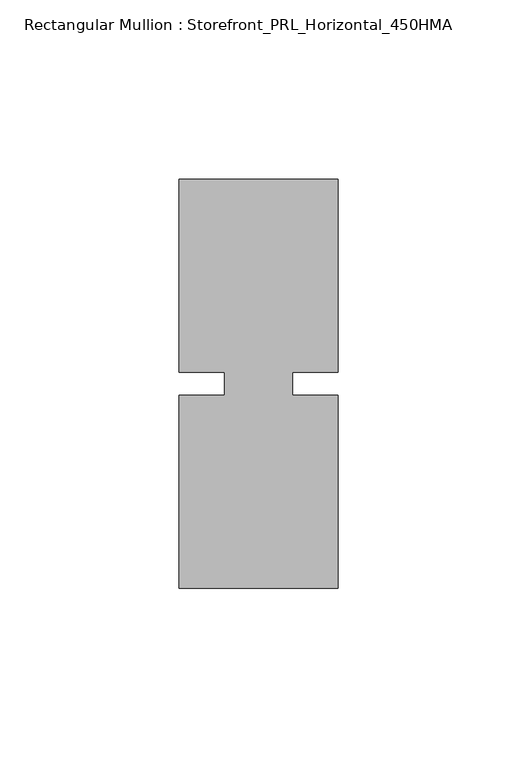
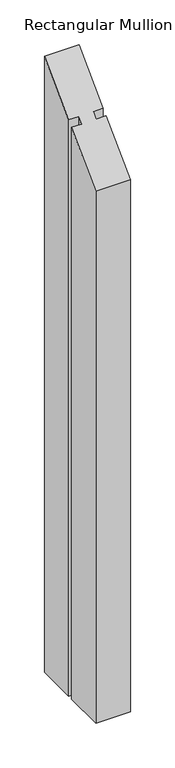
"""IFC4 building model written with IfcOpenShell, lengths in millimetres: member geometry, Rectangular Mullion : Storefront_PRL_Horizontal_450HMA."""

import ifcopenshell
import ifcopenshell.guid

model = None  # the IFC model being written
_history = None  # IfcOwnerHistory: only IFC2X3 demands one
_inside = {}  # id of a spatial element -> (the spatial element, [elements in it])
_under = {}  # id of a project, library or spatial element -> (it, [spatial elements below it])
_declared = {}  # id of a project -> (the project, [libraries it declares])
_typed = {}  # id of a type object -> (the type object, [elements of that type])
_made_of = {}  # id of a material, layer set ... -> (it, [elements and type objects made of it])


def new_model(schema):
    """Start an empty IFC model of exactly this schema.

    Asked for "IFC4X3", IfcOpenShell would pick the latest addendum, in which some entities
    have other attributes; the version numbers below select the first issue.
    IFC2X3 requires an IfcOwnerHistory on every rooted entity: one is made here for all.
    """
    global model, _history
    if schema == "IFC4X3":
        model = ifcopenshell.file(schema_version=(4, 3, 0, 0))
    else:
        model = ifcopenshell.file(schema=schema)
    _inside.clear()
    _under.clear()
    _declared.clear()
    _typed.clear()
    _made_of.clear()
    _history = None
    if model.schema == "IFC2X3":
        org = make("IfcOrganization", Name="unknown")
        user = make(
            "IfcPersonAndOrganization",
            ThePerson=make("IfcPerson", FamilyName="unknown"),
            TheOrganization=org,
        )
        app = make(
            "IfcApplication",
            ApplicationDeveloper=org,
            Version="unknown",
            ApplicationFullName="unknown",
            ApplicationIdentifier="unknown",
        )
        _history = make(
            "IfcOwnerHistory",
            OwningUser=user,
            OwningApplication=app,
            ChangeAction="ADDED",
            CreationDate=0,
        )
    return model


def make(cls, **values):
    """One entity of the class cls with the attributes given. An attribute that is None is left unset."""
    return model.create_entity(
        cls, **{name: value for name, value in values.items() if value is not None}
    )


def rooted(cls, **values):
    """An entity with a GlobalId (a new one), such as an element, a storey or a relation."""
    return make(cls, GlobalId=ifcopenshell.guid.new(), OwnerHistory=_history, **values)


def si_unit(unit_type, name, prefix=None):
    """IfcSIUnit, for example si_unit("LENGTHUNIT", "METRE", prefix="MILLI")."""
    return make("IfcSIUnit", UnitType=unit_type, Prefix=prefix, Name=name)


def assignment(units):
    """IfcUnitAssignment: the units of a project."""
    return None if units is None else make("IfcUnitAssignment", Units=units)


def point(xyz):
    """IfcCartesianPoint."""
    return None if xyz is None else make("IfcCartesianPoint", Coordinates=xyz)


def direction(xyz):
    """IfcDirection."""
    return None if xyz is None else make("IfcDirection", DirectionRatios=xyz)


def frame(location, z_axis=None, x_axis=None):
    """IfcAxis2Placement3D, a coordinate frame: its origin and axes. An axis left out is left unset."""
    return make(
        "IfcAxis2Placement3D",
        Location=point(location),
        Axis=direction(z_axis),
        RefDirection=direction(x_axis),
    )


def origin():
    """The frame at (0, 0, 0) with its axes left unset."""
    return frame((0.0, 0.0, 0.0))


def place(relative_to, where):
    """IfcLocalPlacement: puts the frame where relative to a parent placement (None: the world)."""
    return make(
        "IfcLocalPlacement", PlacementRelTo=relative_to, RelativePlacement=where
    )


def context(
    kind, dimensions, precision=None, world=None, true_north=None, identifier=None
):
    """IfcGeometricRepresentationContext, for example the 3D "Model" context."""
    return make(
        "IfcGeometricRepresentationContext",
        ContextIdentifier=identifier,
        ContextType=kind,
        CoordinateSpaceDimension=dimensions,
        Precision=precision,
        WorldCoordinateSystem=world,
        TrueNorth=true_north,
    )


def project(units=None, contexts=None):
    """IfcProject with its units and contexts."""
    return rooted(
        "IfcProject",
        Name="project",
        RepresentationContexts=contexts,
        UnitsInContext=assignment(units),
    )


def spatial(cls, under=None, at=None, **own):
    """A site, building, storey or space (cls), placed at a placement, below another one or the project."""
    s = rooted(cls, ObjectPlacement=at, **own)
    if under is not None:
        _under.setdefault(under.id(), (under, []))[1].append(s)
    return s


def faces_of(points, faces, orient=None, outer=None):
    """IfcFace entities. A face is a list of loops; a loop is a list of indices into points, from 0.

    orient and outer hold one flag for each loop. By default every Orientation is true, the
    first loop of a face is its IfcFaceOuterBound and the others are IfcFaceBound.
    """
    made = []
    for i, loops in enumerate(faces):
        bounds = []
        for j, loop in enumerate(loops):
            is_outer = j == 0 if outer is None else outer[i][j]
            bounds.append(
                make(
                    "IfcFaceOuterBound" if is_outer else "IfcFaceBound",
                    Bound=make("IfcPolyLoop", Polygon=[points[k] for k in loop]),
                    Orientation=True if orient is None else orient[i][j],
                )
            )
        made.append(make("IfcFace", Bounds=bounds))
    return made


def faceted_brep(points, faces, orient=None, outer=None, voids=None):
    """IfcFacetedBrep: a solid bounded by flat faces; with voids (closed shells), ...WithVoids."""
    shared = [point(p) for p in points]
    hull = make("IfcClosedShell", CfsFaces=faces_of(shared, faces, orient, outer))
    if voids is None:
        return make("IfcFacetedBrep", Outer=hull)
    return make(
        "IfcFacetedBrepWithVoids",
        Outer=hull,
        Voids=[
            make(cls, CfsFaces=faces_of(shared, fs, o, b)) for cls, fs, o, b in voids
        ],
    )


def shape(context_of_items, identifier, shape_type, items):
    """IfcShapeRepresentation: the items that make up one representation, for example the "Body"."""
    return make(
        "IfcShapeRepresentation",
        ContextOfItems=context_of_items,
        RepresentationIdentifier=identifier,
        RepresentationType=shape_type,
        Items=items,
    )


def source(mapping_origin, context_of_items, identifier, shape_type, items):
    """IfcRepresentationMap: a shape defined once, which mapped items show again and again."""
    return make(
        "IfcRepresentationMap",
        MappingOrigin=mapping_origin,
        MappedRepresentation=shape(context_of_items, identifier, shape_type, items),
    )


def transform(
    local_origin,
    x_axis=None,
    y_axis=None,
    z_axis=None,
    scale=None,
    scale2=None,
    scale3=None,
    uniform=True,
):
    """IfcCartesianTransformationOperator3D, or its non-uniform kind. x_axis, y_axis, z_axis: its Axis1, 2, 3."""
    if uniform:
        return make(
            "IfcCartesianTransformationOperator3D",
            Axis1=direction(x_axis),
            Axis2=direction(y_axis),
            LocalOrigin=point(local_origin),
            Scale=scale,
            Axis3=direction(z_axis),
        )
    return make(
        "IfcCartesianTransformationOperator3DnonUniform",
        Axis1=direction(x_axis),
        Axis2=direction(y_axis),
        LocalOrigin=point(local_origin),
        Scale=scale,
        Axis3=direction(z_axis),
        Scale2=scale2,
        Scale3=scale3,
    )


def mapped(mapping_source, mapping_target):
    """IfcMappedItem: shows the shape of a source again, moved by a transform."""
    return make(
        "IfcMappedItem", MappingSource=mapping_source, MappingTarget=mapping_target
    )


def made_of(thing, what):
    """Note that an element or type object is made of a material, layer set ...; save() writes the relation."""
    if what is not None:
        _made_of.setdefault(what.id(), (what, []))[1].append(thing)
    return thing


def element(
    cls,
    number,
    at=None,
    inside=None,
    cuts=None,
    type_object=None,
    material=None,
    context=None,
    identifier="Body",
    shape_type=None,
    held_by="IfcProductDefinitionShape",
    body=None,
    shapes=None,
    **own,
):
    """One element of the class cls, such as IfcWall. Its Tag is "e" and its number.

    at: its placement. inside: the storey or other place that contains it. cuts: it is an
    opening in that element (IfcRelVoidsElement). A single representation is given by context,
    identifier, shape_type and body (its items); several are given by shapes. held_by: the class
    of the entity that holds the representations. save() writes the other relations.
    """
    e = rooted(cls, Tag="e%d" % number, ObjectPlacement=at, **own)
    if body is not None:
        shapes = [shape(context, identifier, shape_type, body)]
    if shapes is not None:
        e.Representation = make(held_by, Representations=shapes)
    if inside is not None:
        _inside.setdefault(inside.id(), (inside, []))[1].append(e)
    if cuts is not None:
        rooted(
            "IfcRelVoidsElement", RelatingBuildingElement=cuts, RelatedOpeningElement=e
        )
    if type_object is not None:
        _typed.setdefault(type_object.id(), (type_object, []))[1].append(e)
    return made_of(e, material)


def aggregate(whole, parts):
    """IfcRelAggregates: a whole, such as a stair, and the parts it consists of."""
    return rooted("IfcRelAggregates", RelatingObject=whole, RelatedObjects=parts)


def save(model, path):
    """Write the relations noted so far, then the file.

    IfcRelAggregates (storeys below a building ...), IfcRelContainedInSpatialStructure (elements
    in a storey), IfcRelDefinesByType, IfcRelAssociatesMaterial and IfcRelDeclares: one each for
    every whole, place, type object, material and project.
    """
    for whole, parts in _under.values():
        aggregate(whole, parts)
    for where, things in _inside.values():
        rooted(
            "IfcRelContainedInSpatialStructure",
            RelatedElements=things,
            RelatingStructure=where,
        )
    for kind, things in _typed.values():
        rooted("IfcRelDefinesByType", RelatedObjects=things, RelatingType=kind)
    for what, things in _made_of.values():
        rooted("IfcRelAssociatesMaterial", RelatedObjects=things, RelatingMaterial=what)
    for by, libraries in _declared.values():
        rooted("IfcRelDeclares", RelatingContext=by, RelatedDefinitions=libraries)
    model.write(path)


def rectangular_mullion_storefront_prl_horizontal_450hma_71c72527(model_context):
    return source(origin(), model_context, "Body", "Brep", [
        faceted_brep([(-9.525, -3.175, -782.1083333), (-9.525, 3.175, -782.1083333), (-22.225, 3.175, -782.1083333), (-22.225, 57.15, -782.1083333), (22.225, 57.15, -782.1083333), (22.225, 3.175, -782.1083333), (9.525, 3.175, -782.1083333), (9.525, -3.175, -782.1083333), (22.225, -3.175, -782.1083333), (22.225, -57.15, -782.1083333), (-22.225, -57.15, -782.1083333), (-22.225, -3.175, -782.1083333), (-22.225, -3.175, -3.175), (-9.525, -3.175, -3.175), (-22.225, -57.15, -57.15), (22.225, -57.15, -57.15), (22.225, -3.175, -3.175), (9.525, -3.175, -3.175), (9.525, 3.175, 3.175), (22.225, 3.175, 3.175), (22.225, 57.15, 57.15), (-22.225, 57.15, 57.15), (-22.225, 3.175, 3.175), (-9.525, 3.175, 3.175)], [[[0, 1, 2, 3, 4, 5, 6, 7, 8, 9, 10, 11]], [[12, 13, 0, 11]], [[14, 12, 11, 10]], [[15, 14, 10, 9]], [[16, 15, 9, 8]], [[17, 16, 8, 7]], [[18, 17, 7, 6]], [[19, 18, 6, 5]], [[20, 19, 5, 4]], [[21, 20, 4, 3]], [[22, 21, 3, 2]], [[23, 22, 2, 1]], [[13, 23, 1, 0]], [[13, 12, 14, 15, 16, 17, 18, 19, 20, 21, 22, 23]]]),
    ])


if __name__ == "__main__":
    model = new_model("IFC4")
    model_context = context("Model", 3, world=origin())
    ifc_project = project(units=[si_unit("LENGTHUNIT", "METRE", prefix="MILLI")], contexts=[model_context])
    site = spatial("IfcSite", under=ifc_project)
    building = spatial("IfcBuilding", under=site)
    placement = place(None, origin())
    rectangular_mullion_storefront_prl_horizontal_450hma_shape = rectangular_mullion_storefront_prl_horizontal_450hma_71c72527(model_context)
    element("IfcMember", 1, ObjectType="Rectangular Mullion : Storefront_PRL_Horizontal_450HMA", at=placement, inside=building, context=model_context, shape_type="MappedRepresentation", body=[
        mapped(rectangular_mullion_storefront_prl_horizontal_450hma_shape, transform((0.0, 0.0, 0.0), x_axis=(1.0, 0.0, 0.0), y_axis=(0.0, 1.0, 0.0), z_axis=(0.0, 0.0, 1.0))),
    ])
    save(model, "model.ifc")
